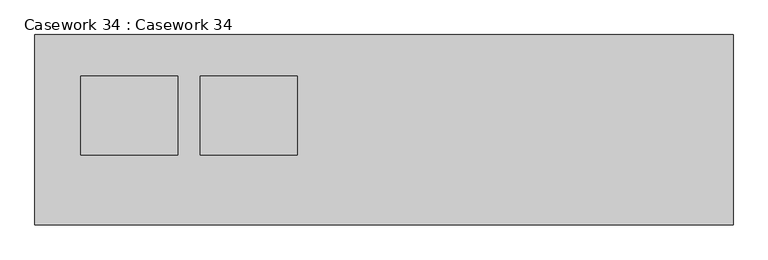
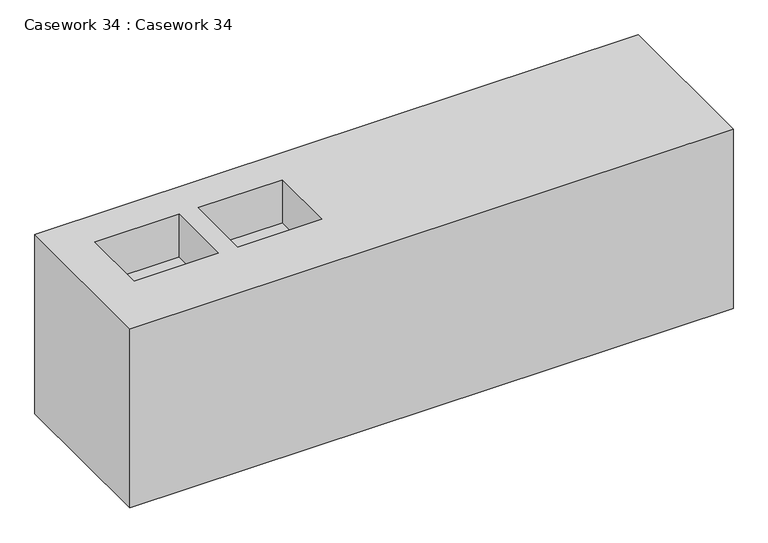
"""IFC4 building model written with IfcOpenShell, lengths in millimetres: furniture geometry, Casework 34 : Casework 34."""

from ifc_helpers import new_model, si_unit, origin, place, context, project, spatial, faceted_brep, source, transform, mapped, element, save


def casework_34_casework_34_3c62413d(model_context):
    return source(origin(), model_context, "Body", "Brep", [
        faceted_brep([(-21447.7101893, 26807.7196826, -10391.2065501), (-24267.2096712, 26807.7196826, -10391.2065501), (-24267.2096712, 26038.4789928, -10391.2065501), (-21447.7101893, 26038.4789928, -10391.2065501), (-24083.0596712, 26321.8835917, -10391.2065501), (-24083.0596712, 26640.7289928, -10391.2065501), (-23689.5596712, 26640.7289928, -10391.2065501), (-23689.5596712, 26321.8835917, -10391.2065501), (-23600.4596712, 26321.8835917, -10391.2065501), (-23600.4596712, 26640.7289928, -10391.2065501), (-23206.9596712, 26640.7289928, -10391.2065501), (-23206.9596712, 26321.8835917, -10391.2065501), (-21447.7101893, 26807.7196826, -11277.6), (-21447.7101893, 26038.4789928, -11277.6), (-24267.2096712, 26038.4789928, -11277.6), (-24267.2096712, 26807.7196826, -11277.6), (-24083.0596712, 26640.7289928, -10603.7315501), (-24083.0596712, 26321.8835917, -10603.7315501), (-23689.5596712, 26321.8835917, -10603.7315501), (-23689.5596712, 26640.7289928, -10603.7315501), (-23600.4596712, 26640.7289928, -10603.7315501), (-23600.4596712, 26321.8835917, -10603.7315501), (-23206.9596712, 26321.8835917, -10603.7315501), (-23206.9596712, 26640.7289928, -10603.7315501)], [[[0, 1, 2, 3], [4, 5, 6, 7], [8, 9, 10, 11]], [[12, 13, 14, 15]], [[1, 0, 12, 15]], [[2, 1, 15, 14]], [[3, 2, 14, 13]], [[0, 3, 13, 12]], [[16, 17, 18, 19]], [[17, 16, 5, 4]], [[18, 17, 4, 7]], [[19, 18, 7, 6]], [[16, 19, 6, 5]], [[20, 21, 22, 23]], [[21, 20, 9, 8]], [[22, 21, 8, 11]], [[23, 22, 11, 10]], [[20, 23, 10, 9]]]),
    ])


if __name__ == "__main__":
    model = new_model("IFC4")
    model_context = context("Model", 3, world=origin())
    ifc_project = project(units=[si_unit("LENGTHUNIT", "METRE", prefix="MILLI")], contexts=[model_context])
    site = spatial("IfcSite", under=ifc_project)
    building = spatial("IfcBuilding", under=site)
    placement = place(None, origin())
    casework_34_casework_34_shape = casework_34_casework_34_3c62413d(model_context)
    element("IfcFurniture", 1, ObjectType="Casework 34 : Casework 34", at=placement, inside=building, context=model_context, shape_type="MappedRepresentation", body=[
        mapped(casework_34_casework_34_shape, transform((0.0, 0.0, 0.0), x_axis=(1.0, 0.0, 0.0), y_axis=(0.0, 1.0, 0.0), z_axis=(0.0, 0.0, 1.0))),
    ])
    save(model, "model.ifc")
